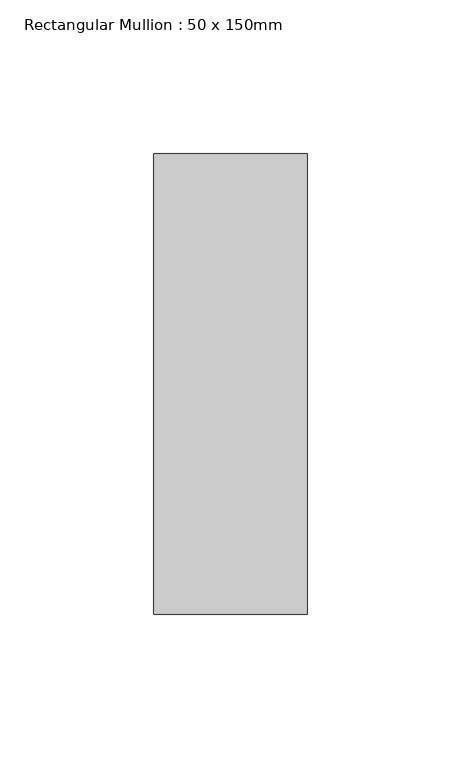
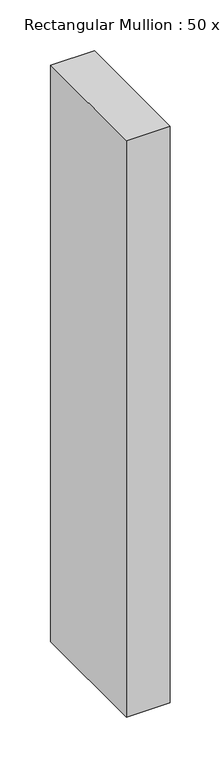
"""IFC4 building model written with IfcOpenShell, lengths in millimetres: member geometry, Rectangular Mullion : 50 x 150mm."""

from ifc_helpers import new_model, si_unit, frame, origin, place, context, project, spatial, polyline, outline, extrude, source, transform, mapped, element, save


def rectangular_mullion_50_x_150mm_25eac2ef(model_context):
    return source(origin(), model_context, "Body", "SweptSolid", [
        extrude(outline(polyline([(25.0, 75.0), (25.0, -75.0), (-25.0, -75.0), (-25.0, 75.0), (25.0, 75.0)])), frame((0.0, 0.0, -695.0), z_axis=(0.0, 0.0, 1.0), x_axis=(1.0, 0.0, 0.0)), (0.0, 0.0, 1.0), 695.0),
    ])


if __name__ == "__main__":
    model = new_model("IFC4")
    model_context = context("Model", 3, world=origin())
    ifc_project = project(units=[si_unit("LENGTHUNIT", "METRE", prefix="MILLI")], contexts=[model_context])
    site = spatial("IfcSite", under=ifc_project)
    building = spatial("IfcBuilding", under=site)
    placement = place(None, origin())
    rectangular_mullion_50_x_150mm_shape = rectangular_mullion_50_x_150mm_25eac2ef(model_context)
    element("IfcMember", 1, ObjectType="Rectangular Mullion : 50 x 150mm", at=placement, inside=building, context=model_context, shape_type="MappedRepresentation", body=[
        mapped(rectangular_mullion_50_x_150mm_shape, transform((0.0, 0.0, 0.0), x_axis=(1.0, 0.0, 0.0), y_axis=(0.0, 1.0, 0.0), z_axis=(0.0, 0.0, 1.0))),
    ])
    save(model, "model.ifc")
